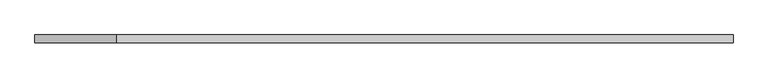
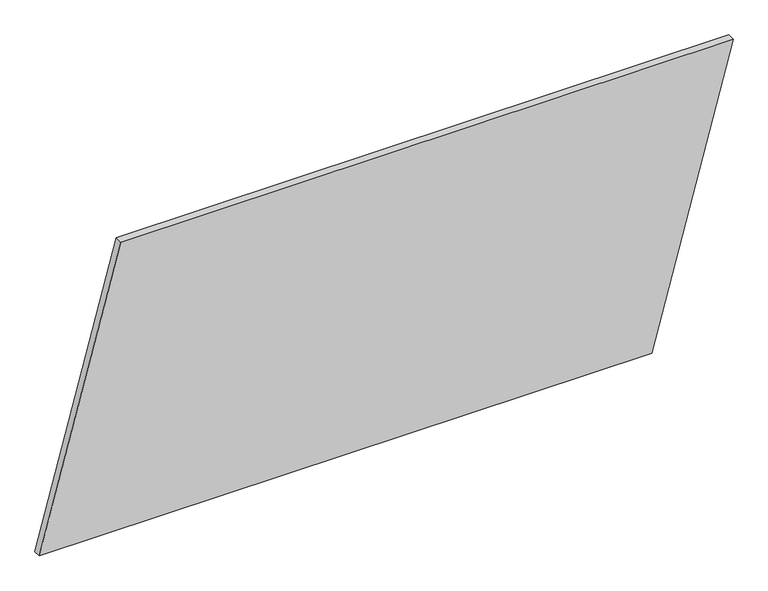
"""IFC4 building model written with IfcOpenShell, lengths in millimetres: plate geometry."""

from ifc_helpers import new_model, si_unit, frame, origin, place, context, project, spatial, polyline, outline, extrude, source, transform, mapped, element, save


def plate_dbae48b6(model_context):
    return source(origin(), model_context, "Body", "SweptSolid", [
        extrude(outline(polyline([(0.0, -1143.3688721), (0.0, 875.4196797), (1000.0, 1143.3688721), (1000.0, -875.4196797), (0.0, -1143.3688721)])), frame((0.0, 24.5, 0.0), z_axis=(0.0, 1.0, 0.0), x_axis=(0.0, 0.0, 1.0)), (0.0, 0.0, 1.0), 25.0),
    ])


if __name__ == "__main__":
    model = new_model("IFC4")
    model_context = context("Model", 3, world=origin())
    ifc_project = project(units=[si_unit("LENGTHUNIT", "METRE", prefix="MILLI")], contexts=[model_context])
    site = spatial("IfcSite", under=ifc_project)
    building = spatial("IfcBuilding", under=site)
    placement = place(None, origin())
    plate_shape = plate_dbae48b6(model_context)
    element("IfcPlate", 1, at=placement, inside=building, context=model_context, shape_type="MappedRepresentation", body=[
        mapped(plate_shape, transform((0.0, 0.0, 0.0), x_axis=(1.0, 0.0, 0.0), y_axis=(0.0, 1.0, 0.0), z_axis=(0.0, 0.0, 1.0))),
    ])
    save(model, "model.ifc")
